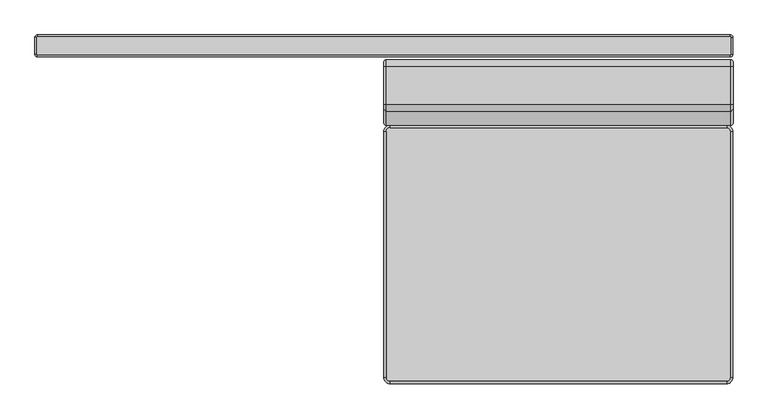
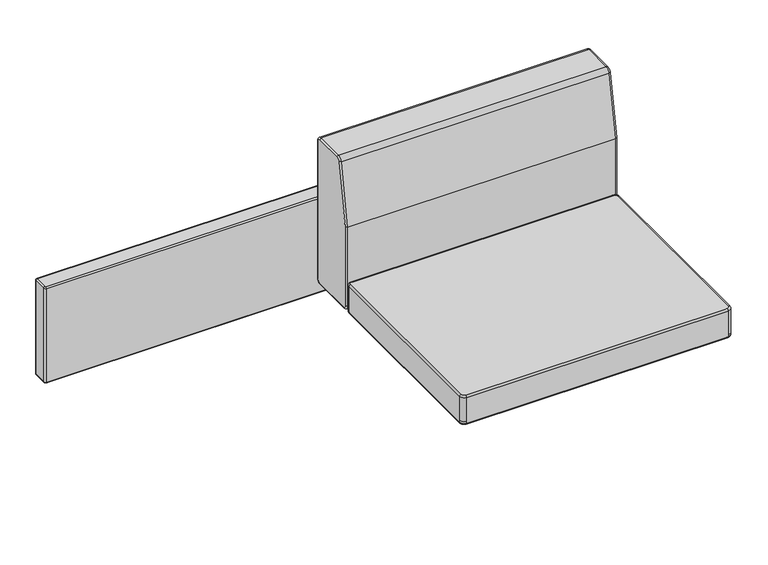
"""IFC4 building model written with IfcOpenShell, lengths in millimetres: furniture geometry."""

import ifcopenshell
import ifcopenshell.guid

model = None  # the IFC model being written
_history = None  # IfcOwnerHistory: only IFC2X3 demands one
_inside = {}  # id of a spatial element -> (the spatial element, [elements in it])
_under = {}  # id of a project, library or spatial element -> (it, [spatial elements below it])
_declared = {}  # id of a project -> (the project, [libraries it declares])
_typed = {}  # id of a type object -> (the type object, [elements of that type])
_made_of = {}  # id of a material, layer set ... -> (it, [elements and type objects made of it])


def new_model(schema):
    """Start an empty IFC model of exactly this schema.

    Asked for "IFC4X3", IfcOpenShell would pick the latest addendum, in which some entities
    have other attributes; the version numbers below select the first issue.
    IFC2X3 requires an IfcOwnerHistory on every rooted entity: one is made here for all.
    """
    global model, _history
    if schema == "IFC4X3":
        model = ifcopenshell.file(schema_version=(4, 3, 0, 0))
    else:
        model = ifcopenshell.file(schema=schema)
    _inside.clear()
    _under.clear()
    _declared.clear()
    _typed.clear()
    _made_of.clear()
    _history = None
    if model.schema == "IFC2X3":
        org = make("IfcOrganization", Name="unknown")
        user = make(
            "IfcPersonAndOrganization",
            ThePerson=make("IfcPerson", FamilyName="unknown"),
            TheOrganization=org,
        )
        app = make(
            "IfcApplication",
            ApplicationDeveloper=org,
            Version="unknown",
            ApplicationFullName="unknown",
            ApplicationIdentifier="unknown",
        )
        _history = make(
            "IfcOwnerHistory",
            OwningUser=user,
            OwningApplication=app,
            ChangeAction="ADDED",
            CreationDate=0,
        )
    return model


def make(cls, **values):
    """One entity of the class cls with the attributes given. An attribute that is None is left unset."""
    return model.create_entity(
        cls, **{name: value for name, value in values.items() if value is not None}
    )


def rooted(cls, **values):
    """An entity with a GlobalId (a new one), such as an element, a storey or a relation."""
    return make(cls, GlobalId=ifcopenshell.guid.new(), OwnerHistory=_history, **values)


def si_unit(unit_type, name, prefix=None):
    """IfcSIUnit, for example si_unit("LENGTHUNIT", "METRE", prefix="MILLI")."""
    return make("IfcSIUnit", UnitType=unit_type, Prefix=prefix, Name=name)


def assignment(units):
    """IfcUnitAssignment: the units of a project."""
    return None if units is None else make("IfcUnitAssignment", Units=units)


def point(xyz):
    """IfcCartesianPoint."""
    return None if xyz is None else make("IfcCartesianPoint", Coordinates=xyz)


def direction(xyz):
    """IfcDirection."""
    return None if xyz is None else make("IfcDirection", DirectionRatios=xyz)


def frame(location, z_axis=None, x_axis=None):
    """IfcAxis2Placement3D, a coordinate frame: its origin and axes. An axis left out is left unset."""
    return make(
        "IfcAxis2Placement3D",
        Location=point(location),
        Axis=direction(z_axis),
        RefDirection=direction(x_axis),
    )


def origin():
    """The frame at (0, 0, 0) with its axes left unset."""
    return frame((0.0, 0.0, 0.0))


def place(relative_to, where):
    """IfcLocalPlacement: puts the frame where relative to a parent placement (None: the world)."""
    return make(
        "IfcLocalPlacement", PlacementRelTo=relative_to, RelativePlacement=where
    )


def context(
    kind, dimensions, precision=None, world=None, true_north=None, identifier=None
):
    """IfcGeometricRepresentationContext, for example the 3D "Model" context."""
    return make(
        "IfcGeometricRepresentationContext",
        ContextIdentifier=identifier,
        ContextType=kind,
        CoordinateSpaceDimension=dimensions,
        Precision=precision,
        WorldCoordinateSystem=world,
        TrueNorth=true_north,
    )


def project(units=None, contexts=None):
    """IfcProject with its units and contexts."""
    return rooted(
        "IfcProject",
        Name="project",
        RepresentationContexts=contexts,
        UnitsInContext=assignment(units),
    )


def spatial(cls, under=None, at=None, **own):
    """A site, building, storey or space (cls), placed at a placement, below another one or the project."""
    s = rooted(cls, ObjectPlacement=at, **own)
    if under is not None:
        _under.setdefault(under.id(), (under, []))[1].append(s)
    return s


def circle_curve(where, radius):
    """IfcCircle in the frame where."""
    return make("IfcCircle", Position=where, Radius=radius)


def ellipse_curve(where, semi_axis1, semi_axis2):
    """IfcEllipse in the frame where."""
    return make(
        "IfcEllipse", Position=where, SemiAxis1=semi_axis1, SemiAxis2=semi_axis2
    )


def trimmed(basis, trim1, trim2, sense, master):
    """IfcTrimmedCurve: the piece of a basis curve between two trims."""
    return make(
        "IfcTrimmedCurve",
        BasisCurve=basis,
        Trim1=trim1,
        Trim2=trim2,
        SenseAgreement=sense,
        MasterRepresentation=master,
    )


def shape(context_of_items, identifier, shape_type, items):
    """IfcShapeRepresentation: the items that make up one representation, for example the "Body"."""
    return make(
        "IfcShapeRepresentation",
        ContextOfItems=context_of_items,
        RepresentationIdentifier=identifier,
        RepresentationType=shape_type,
        Items=items,
    )


def source(mapping_origin, context_of_items, identifier, shape_type, items):
    """IfcRepresentationMap: a shape defined once, which mapped items show again and again."""
    return make(
        "IfcRepresentationMap",
        MappingOrigin=mapping_origin,
        MappedRepresentation=shape(context_of_items, identifier, shape_type, items),
    )


def transform(
    local_origin,
    x_axis=None,
    y_axis=None,
    z_axis=None,
    scale=None,
    scale2=None,
    scale3=None,
    uniform=True,
):
    """IfcCartesianTransformationOperator3D, or its non-uniform kind. x_axis, y_axis, z_axis: its Axis1, 2, 3."""
    if uniform:
        return make(
            "IfcCartesianTransformationOperator3D",
            Axis1=direction(x_axis),
            Axis2=direction(y_axis),
            LocalOrigin=point(local_origin),
            Scale=scale,
            Axis3=direction(z_axis),
        )
    return make(
        "IfcCartesianTransformationOperator3DnonUniform",
        Axis1=direction(x_axis),
        Axis2=direction(y_axis),
        LocalOrigin=point(local_origin),
        Scale=scale,
        Axis3=direction(z_axis),
        Scale2=scale2,
        Scale3=scale3,
    )


def mapped(mapping_source, mapping_target):
    """IfcMappedItem: shows the shape of a source again, moved by a transform."""
    return make(
        "IfcMappedItem", MappingSource=mapping_source, MappingTarget=mapping_target
    )


def made_of(thing, what):
    """Note that an element or type object is made of a material, layer set ...; save() writes the relation."""
    if what is not None:
        _made_of.setdefault(what.id(), (what, []))[1].append(thing)
    return thing


def element(
    cls,
    number,
    at=None,
    inside=None,
    cuts=None,
    type_object=None,
    material=None,
    context=None,
    identifier="Body",
    shape_type=None,
    held_by="IfcProductDefinitionShape",
    body=None,
    shapes=None,
    **own,
):
    """One element of the class cls, such as IfcWall. Its Tag is "e" and its number.

    at: its placement. inside: the storey or other place that contains it. cuts: it is an
    opening in that element (IfcRelVoidsElement). A single representation is given by context,
    identifier, shape_type and body (its items); several are given by shapes. held_by: the class
    of the entity that holds the representations. save() writes the other relations.
    """
    e = rooted(cls, Tag="e%d" % number, ObjectPlacement=at, **own)
    if body is not None:
        shapes = [shape(context, identifier, shape_type, body)]
    if shapes is not None:
        e.Representation = make(held_by, Representations=shapes)
    if inside is not None:
        _inside.setdefault(inside.id(), (inside, []))[1].append(e)
    if cuts is not None:
        rooted(
            "IfcRelVoidsElement", RelatingBuildingElement=cuts, RelatedOpeningElement=e
        )
    if type_object is not None:
        _typed.setdefault(type_object.id(), (type_object, []))[1].append(e)
    return made_of(e, material)


def aggregate(whole, parts):
    """IfcRelAggregates: a whole, such as a stair, and the parts it consists of."""
    return rooted("IfcRelAggregates", RelatingObject=whole, RelatedObjects=parts)


def save(model, path):
    """Write the relations noted so far, then the file.

    IfcRelAggregates (storeys below a building ...), IfcRelContainedInSpatialStructure (elements
    in a storey), IfcRelDefinesByType, IfcRelAssociatesMaterial and IfcRelDeclares: one each for
    every whole, place, type object, material and project.
    """
    for whole, parts in _under.values():
        aggregate(whole, parts)
    for where, things in _inside.values():
        rooted(
            "IfcRelContainedInSpatialStructure",
            RelatedElements=things,
            RelatingStructure=where,
        )
    for kind, things in _typed.values():
        rooted("IfcRelDefinesByType", RelatedObjects=things, RelatingType=kind)
    for what, things in _made_of.values():
        rooted("IfcRelAssociatesMaterial", RelatedObjects=things, RelatingMaterial=what)
    for by, libraries in _declared.values():
        rooted("IfcRelDeclares", RelatingContext=by, RelatedDefinitions=libraries)
    model.write(path)


def plane_surface(at):
    """IfcPlane: the flat surface through the origin of the frame at, square to its z axis."""
    return make("IfcPlane", Position=at)


def cylinder_surface(at, radius):
    """IfcCylindricalSurface: all points at the distance radius from the z axis of the frame at."""
    return make("IfcCylindricalSurface", Position=at, Radius=radius)


def revolved_surface(curve, axis_point, axis_direction):
    """IfcSurfaceOfRevolution: the curve turned about the line through axis_point along axis_direction."""
    return make(
        "IfcSurfaceOfRevolution",
        SweptCurve=make("IfcArbitraryOpenProfileDef", ProfileType="CURVE", Curve=curve),
        AxisPosition=make("IfcAxis1Placement", Location=point(axis_point), Axis=direction(axis_direction)),
    )


def advanced_brep(points, edges, surfaces, faces):
    """IfcAdvancedBrep: a solid bounded by faces that lie on surfaces and meet in shared edges.

    An edge is (start, end): straight between two places in points (the first is 0);
    or (start, end, curve); or (start, end, curve, False) where it runs against its curve.
    A face is (place in surfaces, loops), or (place, loops, False) where it looks against
    its surface's normal. A loop lists edges by number (the first is 1), with a minus sign
    where the edge is run from its end to its start. The first loop is the outer one.
    """
    corners = [point(p) for p in points]
    vertices = [make("IfcVertexPoint", VertexGeometry=c) for c in corners]
    made = []
    for start, end, *more in edges:
        made.append(
            make(
                "IfcEdgeCurve",
                EdgeStart=vertices[start],
                EdgeEnd=vertices[end],
                EdgeGeometry=more[0] if more else make("IfcPolyline", Points=[corners[start], corners[end]]),
                SameSense=more[1] if len(more) > 1 else True,
            )
        )
    hull = []
    for where, loops, *sense in faces:
        bounds = []
        for j, loop in enumerate(loops):
            ring = [make("IfcOrientedEdge", EdgeElement=made[abs(k) - 1], Orientation=k > 0) for k in loop]
            bounds.append(
                make(
                    "IfcFaceOuterBound" if j == 0 else "IfcFaceBound",
                    Bound=make("IfcEdgeLoop", EdgeList=ring),
                    Orientation=True,
                )
            )
        hull.append(make("IfcAdvancedFace", Bounds=bounds, FaceSurface=surfaces[where], SameSense=sense[0] if sense else True))
    return make("IfcAdvancedBrep", Outer=make("IfcClosedShell", CfsFaces=hull))


def furniture_9640fe02(model_context):
    return source(origin(), model_context, "Body", "AdvancedBrep", [
        advanced_brep(
        [(707.2082858, 350.5314654, 584.1999879), (706.1135784, 351.6261728, 584.1999879), (-706.1135784, 351.6261728, 584.1999879), (-707.2082858, 350.5314654, 584.1999879), (-707.2082858, 316.23, 584.1999879), (-706.1135784, 315.1352926, 584.1999879), (706.1135784, 315.1352926, 584.1999879), (707.2082858, 316.23, 584.1999879), (706.1135784, 351.5474654, 317.4999879), (707.1295784, 350.5314654, 317.4999879), (707.1295784, 316.23, 317.4999879), (706.1135784, 315.214, 317.4999879), (-706.1135784, 315.214, 317.4999879), (-707.1295784, 316.23, 317.4999879), (-707.1295784, 350.5314654, 317.4999879), (-706.1135784, 351.5474654, 317.4999879), (711.1935784, 350.5314654, 321.5633339), (706.1135784, 355.6114654, 321.5633339), (706.1135784, 355.6114654, 580.2146953), (711.1935784, 350.5314654, 580.2146953), (711.1935784, 316.23, 580.2146953), (711.1935784, 316.23, 321.5633339), (706.1135784, 311.15, 580.2146953), (706.1135784, 311.15, 321.5633339), (-706.1135784, 311.15, 580.2146953), (-706.1135784, 311.15, 321.5633339), (-711.1935784, 316.23, 580.2146953), (-711.1935784, 316.23, 321.5633339), (-711.1935784, 350.5314654, 580.2146953), (-711.1935784, 350.5314654, 321.5633339), (-706.1135784, 355.6114654, 580.2146953), (-706.1135784, 355.6114654, 321.5633339)],
        [
            (0, 1, circle_curve(frame((706.1135784, 350.5314654, 584.1999879), z_axis=(0.0, 0.0, 1.0), x_axis=(0.0, 1.0, 0.0)), 1.0947074)),
            (1, 2),
            (2, 3, circle_curve(frame((-706.1135784, 350.5314654, 584.1999879), z_axis=(0.0, 0.0, 1.0), x_axis=(-1.0, 0.0, 0.0)), 1.0947074)),
            (3, 4),
            (4, 5, circle_curve(frame((-706.1135784, 316.23, 584.1999879), z_axis=(0.0, 0.0, 1.0), x_axis=(0.0, -1.0, 0.0)), 1.0947074)),
            (5, 6),
            (6, 7, circle_curve(frame((706.1135784, 316.23, 584.1999879), z_axis=(0.0, 0.0, 1.0), x_axis=(1.0, 0.0, 0.0)), 1.0947074)),
            (7, 0),
            (8, 9, circle_curve(frame((706.1135784, 350.5314654, 317.4999879), z_axis=(0.0, 0.0, -1.0), x_axis=(0.0, 1.0, 0.0)), 1.016)),
            (9, 10),
            (10, 11, circle_curve(frame((706.1135784, 316.23, 317.4999879), z_axis=(0.0, 0.0, -1.0), x_axis=(1.0, 0.0, 0.0)), 1.016)),
            (11, 12),
            (12, 13, circle_curve(frame((-706.1135784, 316.23, 317.4999879), z_axis=(0.0, 0.0, -1.0), x_axis=(0.0, -1.0, 0.0)), 1.016)),
            (13, 14),
            (14, 15, circle_curve(frame((-706.1135784, 350.5314654, 317.4999879), z_axis=(0.0, 0.0, -1.0), x_axis=(-1.0, 0.0, 0.0)), 1.016)),
            (15, 8),
            (16, 17, circle_curve(frame((706.1135784, 350.5314654, 321.5633339), z_axis=(0.0, 0.0, 1.0), x_axis=(0.0, 1.0, 0.0)), 5.08)),
            (17, 18),
            (18, 19, circle_curve(frame((706.1135784, 350.5314654, 580.2146953), z_axis=(0.0, 0.0, -1.0), x_axis=(0.0, 1.0, 0.0)), 5.08)),
            (19, 16),
            (16, 9, circle_curve(frame((707.1295784, 350.5314654, 321.5633339), z_axis=(0.0, 1.0, 0.0), x_axis=(1.0, 0.0, 0.0)), 4.064)),
            (8, 17, circle_curve(frame((706.1135784, 351.5474654, 321.5633339), z_axis=(1.0, 0.0, 0.0), x_axis=(0.0, 1.0, 0.0)), 4.064)),
            (18, 1, circle_curve(frame((706.1135784, 351.6261728, 580.2146953), z_axis=(1.0, 0.0, 0.0), x_axis=(0.0, 1.0, 0.0)), 3.9852926)),
            (0, 19, circle_curve(frame((707.2082858, 350.5314654, 580.2146953), z_axis=(0.0, 1.0, 0.0), x_axis=(1.0, 0.0, 0.0)), 3.9852926)),
            (19, 20),
            (20, 21),
            (21, 16),
            (21, 10, circle_curve(frame((707.1295784, 316.23, 321.5633339), z_axis=(0.0, 1.0, 0.0), x_axis=(1.0, 0.0, 0.0)), 4.064)),
            (7, 20, circle_curve(frame((707.2082858, 316.23, 580.2146953), z_axis=(0.0, 1.0, 0.0), x_axis=(1.0, 0.0, 0.0)), 3.9852926)),
            (20, 22, circle_curve(frame((706.1135784, 316.23, 580.2146953), z_axis=(0.0, 0.0, -1.0), x_axis=(1.0, 0.0, 0.0)), 5.08)),
            (22, 23),
            (23, 21, circle_curve(frame((706.1135784, 316.23, 321.5633339), z_axis=(0.0, 0.0, 1.0), x_axis=(1.0, 0.0, 0.0)), 5.08)),
            (23, 11, circle_curve(frame((706.1135784, 315.214, 321.5633339), z_axis=(1.0, 0.0, 0.0), x_axis=(0.0, -1.0, 0.0)), 4.064)),
            (6, 22, circle_curve(frame((706.1135784, 315.1352926, 580.2146953), z_axis=(1.0, 0.0, 0.0), x_axis=(0.0, -1.0, 0.0)), 3.9852926)),
            (22, 24),
            (24, 25),
            (25, 23),
            (25, 12, circle_curve(frame((-706.1135784, 315.214, 321.5633339), z_axis=(1.0, 0.0, 0.0), x_axis=(0.0, -1.0, 0.0)), 4.064)),
            (5, 24, circle_curve(frame((-706.1135784, 315.1352926, 580.2146953), z_axis=(1.0, 0.0, 0.0), x_axis=(0.0, -1.0, 0.0)), 3.9852926)),
            (24, 26, circle_curve(frame((-706.1135784, 316.23, 580.2146953), z_axis=(0.0, 0.0, -1.0), x_axis=(0.0, -1.0, 0.0)), 5.08)),
            (26, 27),
            (27, 25, circle_curve(frame((-706.1135784, 316.23, 321.5633339), z_axis=(0.0, 0.0, 1.0), x_axis=(0.0, -1.0, 0.0)), 5.08)),
            (27, 13, circle_curve(frame((-707.1295784, 316.23, 321.5633339), z_axis=(0.0, -1.0, 0.0), x_axis=(-1.0, 0.0, 0.0)), 4.064)),
            (4, 26, circle_curve(frame((-707.2082858, 316.23, 580.2146953), z_axis=(0.0, -1.0, 0.0), x_axis=(-1.0, 0.0, 0.0)), 3.9852926)),
            (26, 28),
            (28, 29),
            (29, 27),
            (29, 14, circle_curve(frame((-707.1295784, 350.5314654, 321.5633339), z_axis=(0.0, -1.0, 0.0), x_axis=(-1.0, 0.0, 0.0)), 4.064)),
            (3, 28, circle_curve(frame((-707.2082858, 350.5314654, 580.2146953), z_axis=(0.0, -1.0, 0.0), x_axis=(-1.0, 0.0, 0.0)), 3.9852926)),
            (28, 30, circle_curve(frame((-706.1135784, 350.5314654, 580.2146953), z_axis=(0.0, 0.0, -1.0), x_axis=(-1.0, 0.0, 0.0)), 5.08)),
            (30, 31),
            (31, 29, circle_curve(frame((-706.1135784, 350.5314654, 321.5633339), z_axis=(0.0, 0.0, 1.0), x_axis=(-1.0, 0.0, 0.0)), 5.08)),
            (31, 15, circle_curve(frame((-706.1135784, 351.5474654, 321.5633339), z_axis=(-1.0, 0.0, 0.0), x_axis=(0.0, 1.0, 0.0)), 4.064)),
            (2, 30, circle_curve(frame((-706.1135784, 351.6261728, 580.2146953), z_axis=(-1.0, 0.0, 0.0), x_axis=(0.0, 1.0, 0.0)), 3.9852926)),
            (17, 31),
            (30, 18),
        ],
        [
            plane_surface(frame((-706.1135784, 316.2087348, 584.1999879), z_axis=(0.0, 0.0, 1.0), x_axis=(1.0, 0.0, 0.0))),
            plane_surface(frame((-706.1135784, 316.2087348, 317.4999879), z_axis=(0.0, 0.0, -1.0), x_axis=(-1.0, 0.0, 0.0))),
            cylinder_surface(frame((706.1135784, 350.5314654, 0.0), z_axis=(0.0, 0.0, -1.0), x_axis=(0.0, 1.0, 0.0)), 5.08),
            revolved_surface(trimmed(ellipse_curve(frame((706.1135784, 351.5474654, 321.5633339), z_axis=(-1.0, 0.0, 0.0), x_axis=(0.0, 1.0, 0.0)), 4.064, 4.064), [point((706.1135784, 355.6114654, 321.5633339))], [point((706.1135784, 351.5474654, 317.4993339))], True, "CARTESIAN"), (706.1135784, 350.5314654, 0.0), (0.0, 0.0, -1.0)),
            revolved_surface(trimmed(ellipse_curve(frame((706.1135784, 351.6261728, 580.2146953), z_axis=(-1.0, 0.0, 0.0), x_axis=(0.0, 1.0, 0.0)), 3.9852926, 3.9852926), [point((706.1135784, 351.6261728, 584.1999879))], [point((706.1135784, 355.6114654, 580.2146953))], True, "CARTESIAN"), (706.1135784, 350.5314654, 0.0), (0.0, 0.0, -1.0)),
            plane_surface(frame((711.1935784, 350.5314654, 580.2146953), z_axis=(1.0, 0.0, 0.0), x_axis=(0.0, -1.0, 0.0))),
            cylinder_surface(frame((707.1295784, 350.5314654, 321.5633339), z_axis=(0.0, 1.0, 0.0), x_axis=(1.0, 0.0, 0.0)), 4.064),
            cylinder_surface(frame((707.2082858, 350.5314654, 580.2146953), z_axis=(0.0, 1.0, 0.0), x_axis=(1.0, 0.0, 0.0)), 3.9852926),
            cylinder_surface(frame((706.1135784, 316.23, 0.0), z_axis=(0.0, 0.0, -1.0), x_axis=(1.0, 0.0, 0.0)), 5.08),
            revolved_surface(trimmed(ellipse_curve(frame((707.1295784, 316.23, 321.5633339), z_axis=(0.0, 1.0, 0.0), x_axis=(1.0, 0.0, 0.0)), 4.064, 4.064), [point((711.1935784, 316.23, 321.5633339))], [point((707.1295784, 316.23, 317.4993339))], True, "CARTESIAN"), (706.1135784, 316.23, 0.0), (0.0, 0.0, -1.0)),
            revolved_surface(trimmed(ellipse_curve(frame((707.2082858, 316.23, 580.2146953), z_axis=(0.0, 1.0, 0.0), x_axis=(1.0, 0.0, 0.0)), 3.9852926, 3.9852926), [point((707.2082858, 316.23, 584.1999879))], [point((711.1935784, 316.23, 580.2146953))], True, "CARTESIAN"), (706.1135784, 316.23, 0.0), (0.0, 0.0, -1.0)),
            plane_surface(frame((706.1135784, 311.15, 580.2146953), z_axis=(0.0, -1.0, 0.0), x_axis=(-1.0, 0.0, 0.0))),
            cylinder_surface(frame((706.1135784, 315.214, 321.5633339), z_axis=(1.0, 0.0, 0.0), x_axis=(0.0, -1.0, 0.0)), 4.064),
            cylinder_surface(frame((706.1135784, 315.1352926, 580.2146953), z_axis=(1.0, 0.0, 0.0), x_axis=(0.0, -1.0, 0.0)), 3.9852926),
            cylinder_surface(frame((-706.1135784, 316.23, 0.0), z_axis=(0.0, 0.0, -1.0), x_axis=(0.0, -1.0, 0.0)), 5.08),
            revolved_surface(trimmed(ellipse_curve(frame((-706.1135784, 315.214, 321.5633339), z_axis=(1.0, 0.0, 0.0), x_axis=(0.0, -1.0, 0.0)), 4.064, 4.064), [point((-706.1135784, 311.15, 321.5633339))], [point((-706.1135784, 315.214, 317.4993339))], True, "CARTESIAN"), (-706.1135784, 316.23, 0.0), (0.0, 0.0, -1.0)),
            revolved_surface(trimmed(ellipse_curve(frame((-706.1135784, 315.1352926, 580.2146953), z_axis=(1.0, 0.0, 0.0), x_axis=(0.0, -1.0, 0.0)), 3.9852926, 3.9852926), [point((-706.1135784, 315.1352926, 584.1999879))], [point((-706.1135784, 311.15, 580.2146953))], True, "CARTESIAN"), (-706.1135784, 316.23, 0.0), (0.0, 0.0, -1.0)),
            plane_surface(frame((-711.1935784, 316.23, 580.2146953), z_axis=(-1.0, 0.0, 0.0), x_axis=(0.0, 1.0, 0.0))),
            cylinder_surface(frame((-707.1295784, 316.23, 321.5633339), z_axis=(0.0, -1.0, 0.0), x_axis=(-1.0, 0.0, 0.0)), 4.064),
            cylinder_surface(frame((-707.2082858, 316.23, 580.2146953), z_axis=(0.0, -1.0, 0.0), x_axis=(-1.0, 0.0, 0.0)), 3.9852926),
            cylinder_surface(frame((-706.1135784, 350.5314654, 0.0), z_axis=(0.0, 0.0, -1.0), x_axis=(-1.0, 0.0, 0.0)), 5.08),
            revolved_surface(trimmed(ellipse_curve(frame((-707.1295784, 350.5314654, 321.5633339), z_axis=(0.0, -1.0, 0.0), x_axis=(-1.0, 0.0, 0.0)), 4.064, 4.064), [point((-711.1935784, 350.5314654, 321.5633339))], [point((-707.1295784, 350.5314654, 317.4993339))], True, "CARTESIAN"), (-706.1135784, 350.5314654, 0.0), (0.0, 0.0, -1.0)),
            revolved_surface(trimmed(ellipse_curve(frame((-707.2082858, 350.5314654, 580.2146953), z_axis=(0.0, -1.0, 0.0), x_axis=(-1.0, 0.0, 0.0)), 3.9852926, 3.9852926), [point((-707.2082858, 350.5314654, 584.1999879))], [point((-711.1935784, 350.5314654, 580.2146953))], True, "CARTESIAN"), (-706.1135784, 350.5314654, 0.0), (0.0, 0.0, -1.0)),
            plane_surface(frame((-706.1135784, 355.6114654, 580.2146953), z_axis=(0.0, 1.0, 0.0), x_axis=(1.0, 0.0, 0.0))),
            cylinder_surface(frame((-706.1135784, 351.5474654, 321.5633339), z_axis=(-1.0, 0.0, 0.0), x_axis=(0.0, 1.0, 0.0)), 4.064),
            cylinder_surface(frame((-706.1135784, 351.6261728, 580.2146953), z_axis=(-1.0, 0.0, 0.0), x_axis=(0.0, 1.0, 0.0)), 3.9852926),
        ],
        [
            (0, [[1, 2, 3, 4, 5, 6, 7, 8]]),
            (1, [[9, 10, 11, 12, 13, 14, 15, 16]]),
            (2, [[17, 18, 19, 20]]),
            (3, [[-17, 21, -9, 22]]),
            (4, [[-19, 23, -1, 24]]),
            (5, [[-20, 25, 26, 27]]),
            (6, [[-21, -27, 28, -10]]),
            (7, [[-24, -8, 29, -25]]),
            (8, [[-26, 30, 31, 32]]),
            (9, [[-28, -32, 33, -11]]),
            (10, [[-29, -7, 34, -30]]),
            (11, [[-31, 35, 36, 37]]),
            (12, [[-33, -37, 38, -12]]),
            (13, [[-34, -6, 39, -35]]),
            (14, [[-36, 40, 41, 42]]),
            (15, [[-38, -42, 43, -13]]),
            (16, [[-39, -5, 44, -40]]),
            (17, [[-41, 45, 46, 47]]),
            (18, [[-43, -47, 48, -14]]),
            (19, [[-44, -4, 49, -45]]),
            (20, [[-46, 50, 51, 52]]),
            (21, [[-48, -52, 53, -15]]),
            (22, [[-49, -3, 54, -50]]),
            (23, [[-18, 55, -51, 56]]),
            (24, [[-22, -16, -53, -55]]),
            (25, [[-23, -56, -54, -2]]),
        ],
    ),
        advanced_brep(
        [(707.1959976, 304.800436, 749.1899478), (707.1959976, 292.100436, 761.8899478), (711.8064569, 292.100436, 757.2794885), (711.8064569, 300.1899767, 749.1899478), (4.572, 304.800436, 749.1899478), (4.572, 292.100436, 761.8899478), (711.8064569, 300.1899767, 368.2390955), (707.1959976, 304.800436, 368.2390955), (4.572, 304.800436, 368.2390955), (711.8064569, 292.100436, 360.1495548), (707.1959976, 292.100436, 355.5390955), (4.572, 292.100436, 355.5390955), (711.8064569, 184.150436, 360.1495548), (707.1959976, 184.150436, 355.5390955), (4.572, 184.150436, 355.5390955), (711.8064569, 176.0608953, 368.2390955), (707.1959976, 171.450436, 368.2390955), (4.572, 171.450436, 368.2390955), (177.499966, 176.8088949, 357.8760952), (178.1023595, 176.8088949, 357.8760952), (177.8011627, 178.0348284, 357.1085364), (355.299966, 176.8088949, 357.8760952), (355.9023595, 176.8088949, 357.8760952), (355.6011627, 178.0348284, 357.1085364), (533.099966, 176.8088949, 357.8760952), (533.7023595, 176.8088949, 357.8760952), (533.4011627, 178.0348284, 357.1085364), (711.8064569, 176.0608953, 586.9446216), (707.1959976, 171.450436, 587.3479845), (4.572, 171.450436, 587.3479845), (711.8064569, 204.9168164, 750.5946818), (707.1959976, 200.3764003, 751.3952797), (4.572, 200.3764003, 751.3952797), (711.8064569, 212.8834587, 757.2794885), (707.1959976, 212.8834587, 761.8899478), (4.572, 212.8834587, 761.8899478), (0.0, 176.022436, 586.9479863), (0.0, 204.8789413, 750.6013602), (0.0, 212.8834587, 757.3179478), (0.0, 292.100436, 757.3179478), (0.0, 300.228436, 749.1899478), (0.0, 300.228436, 368.2390955), (0.0, 292.100436, 360.1110955), (0.0, 184.150436, 360.1110955), (0.0, 176.022436, 368.2390955), (177.8011627, 178.0348284, 357.8760952), (355.6011627, 178.0348284, 357.8760952), (533.4011627, 178.0348284, 357.8760952)],
        [
            (0, 1, circle_curve(frame((707.1959976, 292.100436, 749.1899478), z_axis=(1.0, 0.0, 0.0), x_axis=(0.0, 0.0, 1.0)), 12.7)),
            (1, 2, circle_curve(frame((707.1959976, 292.100436, 757.2794885), z_axis=(0.0, 1.0, 0.0), x_axis=(0.0, 0.0, -1.0)), 4.6104593)),
            (2, 3, circle_curve(frame((711.8064569, 292.100436, 749.1899478), z_axis=(-1.0, 0.0, 0.0), x_axis=(0.0, 0.0, 1.0)), 8.0895407)),
            (3, 0, circle_curve(frame((707.1959976, 300.1899767, 749.1899478), z_axis=(0.0, 0.0, 1.0), x_axis=(0.0, -1.0, 0.0)), 4.6104593)),
            (0, 4),
            (4, 5, circle_curve(frame((4.572, 292.100436, 749.1899478), z_axis=(1.0, 0.0, 0.0), x_axis=(0.0, 0.0, 1.0)), 12.7)),
            (5, 1),
            (3, 6),
            (6, 7, circle_curve(frame((707.1959976, 300.1899767, 368.2390955), z_axis=(0.0, 0.0, 1.0), x_axis=(0.0, -1.0, 0.0)), 4.6104593)),
            (7, 0),
            (7, 8),
            (8, 4),
            (6, 9, circle_curve(frame((711.8064569, 292.100436, 368.2390955), z_axis=(-1.0, 0.0, 0.0), x_axis=(0.0, 1.0, 0.0)), 8.0895407)),
            (9, 10, circle_curve(frame((707.1959976, 292.100436, 360.1495548), z_axis=(0.0, 1.0, 0.0), x_axis=(0.0, 0.0, 1.0)), 4.6104593)),
            (10, 7, circle_curve(frame((707.1959976, 292.100436, 368.2390955), z_axis=(1.0, 0.0, 0.0), x_axis=(0.0, 1.0, 0.0)), 12.7)),
            (10, 11),
            (11, 8, circle_curve(frame((4.572, 292.100436, 368.2390955), z_axis=(1.0, 0.0, 0.0), x_axis=(0.0, 1.0, 0.0)), 12.7)),
            (9, 12),
            (12, 13, circle_curve(frame((707.1959976, 184.150436, 360.1495548), z_axis=(0.0, 1.0, 0.0), x_axis=(0.0, 0.0, 1.0)), 4.6104593)),
            (13, 10),
            (13, 14),
            (14, 11),
            (12, 15, circle_curve(frame((711.8064569, 184.150436, 368.2390955), z_axis=(-1.0, 0.0, 0.0), x_axis=(0.0, 0.0, -1.0)), 8.0895407)),
            (15, 16, circle_curve(frame((707.1959976, 176.0608953, 368.2390955), z_axis=(0.0, 0.0, -1.0), x_axis=(0.0, 1.0, 0.0)), 4.6104593)),
            (16, 13, circle_curve(frame((707.1959976, 184.150436, 368.2390955), z_axis=(1.0, 0.0, 0.0), x_axis=(0.0, 0.0, -1.0)), 12.7)),
            (16, 17),
            (17, 14, circle_curve(frame((4.572, 184.150436, 368.2390955), z_axis=(1.0, 0.0, 0.0), x_axis=(0.0, 0.0, -1.0)), 12.7)),
            (18, 19),
            (19, 20, ellipse_curve(frame((176.2986333, 184.150436, 368.2390955), z_axis=(0.9711198537066588, 0.23859218289113715, 0.0), x_axis=(-0.2385921828911362, 0.9711198537066589, 0.0)), 13.0776855, 12.7)),
            (20, 18, ellipse_curve(frame((179.3036922, 184.150436, 368.2390955), z_axis=(-0.971119853706666, 0.2385921828911077, 0.0), x_axis=(-0.23859218289110734, -0.971119853706666, 0.0)), 13.0776855, 12.7)),
            (21, 22),
            (22, 23, ellipse_curve(frame((354.0986333, 184.150436, 368.2390955), z_axis=(0.971119853706677, 0.2385921828910632, 0.0), x_axis=(-0.23859218289106215, 0.9711198537066771, 0.0)), 13.0776855, 12.7)),
            (23, 21, ellipse_curve(frame((357.1036922, 184.150436, 368.2390955), z_axis=(-0.9711198537067129, 0.23859218289091608, 0.0), x_axis=(-0.23859218289091688, -0.9711198537067127, 0.0)), 13.0776855, 12.7)),
            (24, 25),
            (25, 26, ellipse_curve(frame((531.8986333, 184.150436, 368.2390955), z_axis=(0.9711198537066685, 0.23859218289109715, 0.0), x_axis=(-0.23859218289109663, 0.9711198537066686, 0.0)), 13.0776855, 12.7)),
            (26, 24, ellipse_curve(frame((534.9036922, 184.150436, 368.2390955), z_axis=(-0.9711198537066816, 0.23859218289104386, 0.0), x_axis=(-0.23859218289104364, -0.9711198537066815, 0.0)), 13.0776855, 12.7)),
            (15, 27),
            (27, 28, ellipse_curve(frame((707.1959976, 176.0608953, 586.9446216), z_axis=(0.0, -0.0871557427476564, -0.9961946980917458), x_axis=(0.0, 0.9961946980917458, -0.08715574274765407)), 4.6280705, 4.6104593)),
            (28, 16),
            (28, 29),
            (29, 17),
            (27, 30),
            (30, 31, circle_curve(frame((707.1959976, 204.9168164, 750.5946818), z_axis=(0.0, -0.1736481776669285, -0.9848077530122085), x_axis=(0.0, 0.9848077530122085, -0.1736481776669285)), 4.6104593)),
            (31, 28),
            (31, 32),
            (32, 29),
            (30, 33, circle_curve(frame((711.8064569, 212.8834587, 749.1899478), z_axis=(-1.0, 0.0, 0.0), x_axis=(0.0, -0.9848077530122082, 0.17364817766692947)), 8.0895407)),
            (33, 34, circle_curve(frame((707.1959976, 212.8834587, 757.2794885), z_axis=(0.0, -1.0, 0.0), x_axis=(0.0, 0.0, -1.0)), 4.6104593)),
            (34, 31, circle_curve(frame((707.1959976, 212.8834587, 749.1899478), z_axis=(1.0, 0.0, 0.0), x_axis=(0.0, -0.9848077530122082, 0.17364817766692947)), 12.7)),
            (34, 35),
            (35, 32, circle_curve(frame((4.572, 212.8834587, 749.1899478), z_axis=(1.0, 0.0, 0.0), x_axis=(0.0, -0.9848077530122082, 0.17364817766692947)), 12.7)),
            (2, 33),
            (1, 34),
            (5, 35),
            (36, 37),
            (37, 38, circle_curve(frame((0.0, 212.8834587, 749.1899478), z_axis=(-1.0, 0.0, 0.0), x_axis=(0.0, -0.9848077530122082, 0.17364817766692947)), 8.128)),
            (38, 39),
            (39, 40, circle_curve(frame((0.0, 292.100436, 749.1899478), z_axis=(-1.0, 0.0, 0.0), x_axis=(0.0, 0.0, 1.0)), 8.128)),
            (40, 41),
            (41, 42, circle_curve(frame((0.0, 292.100436, 368.2390955), z_axis=(-1.0, 0.0, 0.0), x_axis=(0.0, 1.0, 0.0)), 8.128)),
            (42, 43),
            (43, 44, circle_curve(frame((0.0, 184.150436, 368.2390955), z_axis=(-1.0, 0.0, 0.0), x_axis=(0.0, 0.0, -1.0)), 8.128)),
            (44, 36),
            (4, 40, circle_curve(frame((4.572, 300.228436, 749.1899478), z_axis=(0.0, 0.0, 1.0), x_axis=(0.0, -1.0, 0.0)), 4.572)),
            (39, 5, circle_curve(frame((4.572, 292.100436, 757.3179478), z_axis=(0.0, 1.0, 0.0), x_axis=(0.0, 0.0, -1.0)), 4.572)),
            (8, 41, circle_curve(frame((4.572, 300.228436, 368.2390955), z_axis=(0.0, 0.0, 1.0), x_axis=(0.0, -1.0, 0.0)), 4.572)),
            (11, 42, circle_curve(frame((4.572, 292.100436, 360.1110955), z_axis=(0.0, 1.0, 0.0), x_axis=(0.0, 0.0, 1.0)), 4.572)),
            (14, 43, circle_curve(frame((4.572, 184.150436, 360.1110955), z_axis=(0.0, 1.0, 0.0), x_axis=(0.0, 0.0, 1.0)), 4.572)),
            (17, 44, circle_curve(frame((4.572, 176.022436, 368.2390955), z_axis=(0.0, 0.0, -1.0), x_axis=(0.0, 1.0, 0.0)), 4.572)),
            (29, 36, ellipse_curve(frame((4.572, 176.022436, 586.9479863), z_axis=(0.0, -0.0871557427476564, -0.9961946980917458), x_axis=(0.0, 0.9961946980917458, -0.08715574274765407)), 4.5894643, 4.572)),
            (32, 37, circle_curve(frame((4.572, 204.8789413, 750.6013602), z_axis=(0.0, -0.1736481776669285, -0.9848077530122085), x_axis=(0.0, 0.9848077530122085, -0.1736481776669285)), 4.572)),
            (35, 38, circle_curve(frame((4.572, 212.8834587, 757.3179478), z_axis=(0.0, -1.0, 0.0), x_axis=(0.0, 0.0, -1.0)), 4.572)),
            (18, 45),
            (45, 19),
            (21, 46),
            (46, 22),
            (24, 47),
            (47, 25),
            (20, 45),
            (23, 46),
            (26, 47),
        ],
        [
            revolved_surface(trimmed(ellipse_curve(frame((707.1959976, 292.100436, 757.2794885), z_axis=(0.0, -1.0, 0.0), x_axis=(0.0, 0.0, -1.0)), 4.6104593, 4.6104593), [point((711.8064569, 292.100436, 757.2794885))], [point((707.1959976, 292.100436, 761.8899478))], True, "CARTESIAN"), (0.0, 292.100436, 749.1899478), (-1.0, 0.0, 0.0)),
            cylinder_surface(frame((0.0, 292.100436, 749.1899478), z_axis=(-1.0, 0.0, 0.0), x_axis=(0.0, 0.0, 1.0)), 12.7),
            cylinder_surface(frame((707.1959976, 300.1899767, 749.1899478), z_axis=(0.0, 0.0, 1.0), x_axis=(0.0, -1.0, 0.0)), 4.6104593),
            plane_surface(frame((707.1959976, 304.800436, 749.1899478), z_axis=(0.0, 1.0, 0.0), x_axis=(0.0, 0.0, -1.0))),
            revolved_surface(trimmed(ellipse_curve(frame((707.1959976, 300.1899767, 368.2390955), z_axis=(0.0, 0.0, 1.0), x_axis=(0.0, -1.0, 0.0)), 4.6104593, 4.6104593), [point((711.8064569, 300.1899767, 368.2390955))], [point((707.1959976, 304.800436, 368.2390955))], True, "CARTESIAN"), (0.0, 292.100436, 368.2390955), (-1.0, 0.0, 0.0)),
            cylinder_surface(frame((0.0, 292.100436, 368.2390955), z_axis=(-1.0, 0.0, 0.0), x_axis=(0.0, 1.0, 0.0)), 12.7),
            cylinder_surface(frame((707.1959976, 292.100436, 360.1495548), z_axis=(0.0, 1.0, 0.0), x_axis=(0.0, 0.0, 1.0)), 4.6104593),
            plane_surface(frame((707.1959976, 292.100436, 355.5390955), z_axis=(0.0, 0.0, -1.0), x_axis=(0.0, -1.0, 0.0))),
            revolved_surface(trimmed(ellipse_curve(frame((707.1959976, 184.150436, 360.1495548), z_axis=(0.0, 1.0, 0.0), x_axis=(0.0, 0.0, 1.0)), 4.6104593, 4.6104593), [point((711.8064569, 184.150436, 360.1495548))], [point((707.1959976, 184.150436, 355.5390955))], True, "CARTESIAN"), (0.0, 184.150436, 368.2390955), (-1.0, 0.0, 0.0)),
            cylinder_surface(frame((0.0, 184.150436, 368.2390955), z_axis=(-1.0, 0.0, 0.0), x_axis=(0.0, 0.0, -1.0)), 12.7),
            cylinder_surface(frame((707.1959976, 176.0608953, 368.2390955), z_axis=(0.0, 0.0, -1.0), x_axis=(0.0, 1.0, 0.0)), 4.6104593),
            plane_surface(frame((707.1959976, 171.450436, 368.2390955), z_axis=(0.0, -1.0, 0.0), x_axis=(0.0, 0.0, 1.0))),
            cylinder_surface(frame((707.1959976, 175.9908521, 586.5473866), z_axis=(0.0, -0.1736481776669285, -0.9848077530122085), x_axis=(0.0, 0.9848077530122085, -0.1736481776669285)), 4.6104593),
            plane_surface(frame((707.1959976, 171.450436, 587.3479845), z_axis=(0.0, -0.9848077530122084, 0.17364817766692872), x_axis=(0.0, 0.17364817766692872, 0.9848077530122084))),
            revolved_surface(trimmed(ellipse_curve(frame((707.1959976, 204.9168164, 750.5946818), z_axis=(0.0, -0.17364817766692928, -0.9848077530122082), x_axis=(0.0, 0.9848077530122082, -0.17364817766692928)), 4.6104593, 4.6104593), [point((711.8064569, 204.9168164, 750.5946818))], [point((707.1959976, 200.3764003, 751.3952797))], True, "CARTESIAN"), (0.0, 212.8834587, 749.1899478), (-1.0, 0.0, 0.0)),
            cylinder_surface(frame((0.0, 212.8834587, 749.1899478), z_axis=(-1.0, 0.0, 0.0), x_axis=(0.0, -0.9848077530122082, 0.17364817766692947)), 12.7),
            plane_surface(frame((711.8064569, 212.8834587, 754.6705296), z_axis=(1.0, 0.0, 0.0), x_axis=(0.0, 1.0, 0.0))),
            cylinder_surface(frame((707.1959976, 212.8834587, 757.2794885), z_axis=(0.0, -1.0, 0.0), x_axis=(0.0, 0.0, -1.0)), 4.6104593),
            plane_surface(frame((707.1959976, 212.8834587, 761.8899478), z_axis=(0.0, 0.0, 1.0), x_axis=(0.0, 1.0, 0.0))),
            plane_surface(frame((0.0, 212.8834587, 757.3179478), z_axis=(-1.0, 0.0, 0.0), x_axis=(0.0, 1.0, 0.0))),
            revolved_surface(trimmed(ellipse_curve(frame((4.572, 292.100436, 757.3179478), z_axis=(0.0, -1.0, 0.0), x_axis=(0.0, 0.0, -1.0)), 4.572, 4.572), [point((4.572, 292.100436, 761.8899478))], [point((0.0, 292.100436, 757.3179478))], True, "CARTESIAN"), (0.0, 292.100436, 749.1899478), (-1.0, 0.0, 0.0)),
            cylinder_surface(frame((4.572, 300.228436, 749.1899478), z_axis=(0.0, 0.0, 1.0), x_axis=(0.0, -1.0, 0.0)), 4.572),
            revolved_surface(trimmed(ellipse_curve(frame((4.572, 300.228436, 368.2390955), z_axis=(0.0, 0.0, 1.0), x_axis=(0.0, -1.0, 0.0)), 4.572, 4.572), [point((4.572, 304.800436, 368.2390955))], [point((0.0, 300.228436, 368.2390955))], True, "CARTESIAN"), (0.0, 292.100436, 368.2390955), (-1.0, 0.0, 0.0)),
            cylinder_surface(frame((4.572, 292.100436, 360.1110955), z_axis=(0.0, 1.0, 0.0), x_axis=(0.0, 0.0, 1.0)), 4.572),
            revolved_surface(trimmed(ellipse_curve(frame((4.572, 184.150436, 360.1110955), z_axis=(0.0, 1.0, 0.0), x_axis=(0.0, 0.0, 1.0)), 4.572, 4.572), [point((4.572, 184.150436, 355.5390955))], [point((0.0, 184.150436, 360.1110955))], True, "CARTESIAN"), (0.0, 184.150436, 368.2390955), (-1.0, 0.0, 0.0)),
            cylinder_surface(frame((4.572, 176.022436, 368.2390955), z_axis=(0.0, 0.0, -1.0), x_axis=(0.0, 1.0, 0.0)), 4.572),
            cylinder_surface(frame((4.572, 175.9529771, 586.554065), z_axis=(0.0, -0.1736481776669285, -0.9848077530122085), x_axis=(0.0, 0.9848077530122085, -0.1736481776669285)), 4.572),
            revolved_surface(trimmed(ellipse_curve(frame((4.572, 204.8789413, 750.6013602), z_axis=(0.0, -0.17364817766692928, -0.9848077530122082), x_axis=(0.0, 0.9848077530122082, -0.17364817766692928)), 4.572, 4.572), [point((4.572, 200.3764003, 751.3952797))], [point((0.0, 204.8789413, 750.6013602))], True, "CARTESIAN"), (0.0, 212.8834587, 749.1899478), (-1.0, 0.0, 0.0)),
            cylinder_surface(frame((4.572, 212.8834587, 757.3179478), z_axis=(0.0, -1.0, 0.0), x_axis=(0.0, 0.0, -1.0)), 4.572),
            plane_surface(frame((0.0, 177.9827141, 357.8760952), z_axis=(0.0, 0.0, -1.0), x_axis=(-1.0, 0.0, 0.0))),
            plane_surface(frame((176.9437051, 174.5447974, 25.4), z_axis=(0.971119853706666, -0.2385921828911077, 0.0), x_axis=(0.0, 0.0, 1.0))),
            plane_surface(frame((177.8011627, 178.0348284, 25.4), z_axis=(-0.9711198537066588, -0.23859218289113715, 0.0), x_axis=(0.0, 0.0, 1.0))),
            plane_surface(frame((354.7437051, 174.5447974, 25.4), z_axis=(0.9711198537067129, -0.23859218289091608, 0.0), x_axis=(0.0, 0.0, 1.0))),
            plane_surface(frame((355.6011627, 178.0348284, 25.4), z_axis=(-0.971119853706677, -0.2385921828910632, 0.0), x_axis=(0.0, 0.0, 1.0))),
            plane_surface(frame((532.5437051, 174.5447974, 25.4), z_axis=(0.9711198537066816, -0.23859218289104386, 0.0), x_axis=(0.0, 0.0, 1.0))),
            plane_surface(frame((533.4011627, 178.0348284, 25.4), z_axis=(-0.9711198537066685, -0.23859218289109715, 0.0), x_axis=(0.0, 0.0, 1.0))),
        ],
        [
            (0, [[1, 2, 3, 4]]),
            (1, [[-1, 5, 6, 7]]),
            (2, [[-4, 8, 9, 10]]),
            (3, [[-5, -10, 11, 12]]),
            (4, [[-9, 13, 14, 15]]),
            (5, [[-11, -15, 16, 17]]),
            (6, [[-14, 18, 19, 20]]),
            (7, [[-16, -20, 21, 22]]),
            (8, [[-19, 23, 24, 25]]),
            (9, [[-21, -25, 26, 27], [28, 29, 30], [31, 32, 33], [34, 35, 36]]),
            (10, [[-24, 37, 38, 39]]),
            (11, [[-26, -39, 40, 41]]),
            (12, [[-38, 42, 43, 44]]),
            (13, [[-40, -44, 45, 46]]),
            (14, [[-43, 47, 48, 49]]),
            (15, [[-45, -49, 50, 51]]),
            (16, [[-3, 52, -47, -42, -37, -23, -18, -13, -8]]),
            (17, [[-2, 53, -48, -52]]),
            (18, [[-7, 54, -50, -53]]),
            (19, [[55, 56, 57, 58, 59, 60, 61, 62, 63]]),
            (20, [[-6, 64, -58, 65]]),
            (21, [[-12, 66, -59, -64]]),
            (22, [[-17, 67, -60, -66]]),
            (23, [[-22, 68, -61, -67]]),
            (24, [[-27, 69, -62, -68]]),
            (25, [[-41, 70, -63, -69]]),
            (26, [[-46, 71, -55, -70]]),
            (27, [[-51, 72, -56, -71]]),
            (28, [[-54, -65, -57, -72]]),
            (29, [[73, 74, -28]]),
            (29, [[75, 76, -31]]),
            (29, [[77, 78, -34]]),
            (30, [[-73, -30, 79]]),
            (31, [[-74, -79, -29]]),
            (32, [[-75, -33, 80]]),
            (33, [[-76, -80, -32]]),
            (34, [[-77, -36, 81]]),
            (35, [[-78, -81, -35]]),
        ],
    ),
        advanced_brep(
        [(12.7, -355.1331438, 430.5469182), (12.7, -355.1331438, 365.5390691), (12.7, -355.1331438, 359.9782461), (698.5011385, -355.1331438, 359.9782461), (698.5011385, -355.1331438, 365.5390691), (698.5011385, -355.1331438, 430.5469182), (698.5011385, -350.5226845, 435.1573776), (12.7, -350.5226845, 435.1573776), (711.2011385, -342.4331438, 430.5469182), (711.2011385, -342.4331438, 365.5390691), (711.2011385, -342.4331438, 359.9782461), (711.2011385, 158.750436, 359.9782461), (711.2011385, 158.750436, 365.5390691), (711.2011385, 158.750436, 430.5469182), (706.5906792, 158.750436, 435.1573776), (706.5906792, -342.4331438, 435.1573776), (698.5011385, 171.450436, 430.5469182), (698.5011385, 171.450436, 365.5390691), (698.5011385, 171.450436, 359.9782461), (12.7, 171.450436, 359.9782461), (12.7, 171.450436, 365.5390691), (12.7, 171.450436, 430.5469182), (12.7, 166.8399767, 435.1573776), (698.5011385, 166.8399767, 435.1573776), (0.0, 158.750436, 430.5469182), (0.0, 158.750436, 365.5390691), (0.0, 158.750436, 359.9782461), (0.0, -342.4331438, 359.9782461), (0.0, -342.4331438, 365.5390691), (0.0, -342.4331438, 430.5469182), (4.6104593, -342.4331438, 435.1573776), (4.6104593, 158.750436, 435.1573776), (4.6104593, -342.4331438, 355.3677867), (12.7, -350.5226845, 355.3677867), (698.5011385, -350.5226845, 355.3677867), (706.5906792, -342.4331438, 355.3677867), (706.5906792, 158.750436, 355.3677867), (698.5011385, 166.8399767, 355.3677867), (12.7, 166.8399767, 355.3677867), (4.6104593, 158.750436, 355.3677867)],
        [
            (0, 1),
            (1, 2),
            (2, 3),
            (3, 4),
            (4, 5),
            (5, 0),
            (5, 6, circle_curve(frame((698.5011385, -350.5226845, 430.5469182), z_axis=(-1.0, 0.0, 0.0), x_axis=(0.0, 1.0, 0.0)), 4.6104593)),
            (6, 7),
            (7, 0, circle_curve(frame((12.7, -350.5226845, 430.5469182), z_axis=(1.0, 0.0, 0.0), x_axis=(0.0, 1.0, 0.0)), 4.6104593)),
            (8, 9),
            (9, 10),
            (10, 11),
            (11, 12),
            (12, 13),
            (13, 8),
            (13, 14, circle_curve(frame((706.5906792, 158.750436, 430.5469182), z_axis=(0.0, -1.0, 0.0), x_axis=(-1.0, 0.0, 0.0)), 4.6104593)),
            (14, 15),
            (15, 8, circle_curve(frame((706.5906792, -342.4331438, 430.5469182), z_axis=(0.0, 1.0, 0.0), x_axis=(-1.0, 0.0, 0.0)), 4.6104593)),
            (16, 17),
            (17, 18),
            (18, 19),
            (19, 20),
            (20, 21),
            (21, 16),
            (21, 22, circle_curve(frame((12.7, 166.8399767, 430.5469182), z_axis=(1.0, 0.0, 0.0), x_axis=(0.0, -1.0, 0.0)), 4.6104593)),
            (22, 23),
            (23, 16, circle_curve(frame((698.5011385, 166.8399767, 430.5469182), z_axis=(-1.0, 0.0, 0.0), x_axis=(0.0, -1.0, 0.0)), 4.6104593)),
            (24, 25),
            (25, 26),
            (26, 27),
            (27, 28),
            (28, 29),
            (29, 24),
            (29, 30, circle_curve(frame((4.6104593, -342.4331438, 430.5469182), z_axis=(0.0, 1.0, 0.0), x_axis=(1.0, 0.0, 0.0)), 4.6104593)),
            (30, 31),
            (31, 24, circle_curve(frame((4.6104593, 158.750436, 430.5469182), z_axis=(0.0, -1.0, 0.0), x_axis=(1.0, 0.0, 0.0)), 4.6104593)),
            (0, 29, circle_curve(frame((12.7, -342.4331438, 430.5469182), z_axis=(0.0, 0.0, -1.0), x_axis=(-1.0, 0.0, 0.0)), 12.7)),
            (28, 1, circle_curve(frame((12.7, -342.4331438, 365.5390691), z_axis=(0.0, 0.0, 1.0), x_axis=(-1.0, 0.0, 0.0)), 12.7)),
            (7, 30, circle_curve(frame((12.7, -342.4331438, 435.1573776), z_axis=(0.0, 0.0, -1.0), x_axis=(-1.0, 0.0, 0.0)), 8.0895407)),
            (4, 9, circle_curve(frame((698.5011385, -342.4331438, 365.5390691), z_axis=(0.0, 0.0, 1.0), x_axis=(0.0, -1.0, 0.0)), 12.7)),
            (8, 5, circle_curve(frame((698.5011385, -342.4331438, 430.5469182), z_axis=(0.0, 0.0, -1.0), x_axis=(0.0, -1.0, 0.0)), 12.7)),
            (15, 6, circle_curve(frame((698.5011385, -342.4331438, 435.1573776), z_axis=(0.0, 0.0, -1.0), x_axis=(0.0, -1.0, 0.0)), 8.0895407)),
            (12, 17, circle_curve(frame((698.5011385, 158.750436, 365.5390691), z_axis=(0.0, 0.0, 1.0), x_axis=(1.0, 0.0, 0.0)), 12.7)),
            (16, 13, circle_curve(frame((698.5011385, 158.750436, 430.5469182), z_axis=(0.0, 0.0, -1.0), x_axis=(1.0, 0.0, 0.0)), 12.7)),
            (23, 14, circle_curve(frame((698.5011385, 158.750436, 435.1573776), z_axis=(0.0, 0.0, -1.0), x_axis=(1.0, 0.0, 0.0)), 8.0895407)),
            (20, 25, circle_curve(frame((12.7, 158.750436, 365.5390691), z_axis=(0.0, 0.0, 1.0), x_axis=(0.0, 1.0, 0.0)), 12.7)),
            (24, 21, circle_curve(frame((12.7, 158.750436, 430.5469182), z_axis=(0.0, 0.0, -1.0), x_axis=(0.0, 1.0, 0.0)), 12.7)),
            (22, 31, circle_curve(frame((12.7, 158.750436, 435.1573776), z_axis=(0.0, 0.0, 1.0), x_axis=(0.0, 1.0, 0.0)), 8.0895407)),
            (27, 2, circle_curve(frame((12.7, -342.4331438, 359.9782461), z_axis=(0.0, 0.0, 1.0), x_axis=(-1.0, 0.0, 0.0)), 12.7)),
            (27, 32, circle_curve(frame((4.6104593, -342.4331438, 359.9782461), z_axis=(0.0, -1.0, 0.0), x_axis=(1.0, 0.0, 0.0)), 4.6104593)),
            (32, 33, circle_curve(frame((12.7, -342.4331438, 355.3677867), z_axis=(0.0, 0.0, 1.0), x_axis=(-1.0, 0.0, 0.0)), 8.0895407)),
            (33, 2, circle_curve(frame((12.7, -350.5226845, 359.9782461), z_axis=(-1.0, 0.0, 0.0), x_axis=(0.0, 1.0, 0.0)), 4.6104593)),
            (33, 34),
            (34, 3, circle_curve(frame((698.5011385, -350.5226845, 359.9782461), z_axis=(-1.0, 0.0, 0.0), x_axis=(0.0, 1.0, 0.0)), 4.6104593)),
            (3, 10, circle_curve(frame((698.5011385, -342.4331438, 359.9782461), z_axis=(0.0, 0.0, 1.0), x_axis=(0.0, -1.0, 0.0)), 12.7)),
            (34, 35, circle_curve(frame((698.5011385, -342.4331438, 355.3677867), z_axis=(0.0, 0.0, 1.0), x_axis=(0.0, -1.0, 0.0)), 8.0895407)),
            (35, 10, circle_curve(frame((706.5906792, -342.4331438, 359.9782461), z_axis=(0.0, -1.0, 0.0), x_axis=(-1.0, 0.0, 0.0)), 4.6104593)),
            (35, 36),
            (36, 11, circle_curve(frame((706.5906792, 158.750436, 359.9782461), z_axis=(0.0, -1.0, 0.0), x_axis=(-1.0, 0.0, 0.0)), 4.6104593)),
            (11, 18, circle_curve(frame((698.5011385, 158.750436, 359.9782461), z_axis=(0.0, 0.0, 1.0), x_axis=(1.0, 0.0, 0.0)), 12.7)),
            (36, 37, circle_curve(frame((698.5011385, 158.750436, 355.3677867), z_axis=(0.0, 0.0, 1.0), x_axis=(1.0, 0.0, 0.0)), 8.0895407)),
            (37, 18, circle_curve(frame((698.5011385, 166.8399767, 359.9782461), z_axis=(1.0, 0.0, 0.0), x_axis=(0.0, -1.0, 0.0)), 4.6104593)),
            (37, 38),
            (38, 19, circle_curve(frame((12.7, 166.8399767, 359.9782461), z_axis=(1.0, 0.0, 0.0), x_axis=(0.0, -1.0, 0.0)), 4.6104593)),
            (19, 26, circle_curve(frame((12.7, 158.750436, 359.9782461), z_axis=(0.0, 0.0, 1.0), x_axis=(0.0, 1.0, 0.0)), 12.7)),
            (38, 39, circle_curve(frame((12.7, 158.750436, 355.3677867), z_axis=(0.0, 0.0, 1.0), x_axis=(0.0, 1.0, 0.0)), 8.0895407)),
            (39, 26, circle_curve(frame((4.6104593, 158.750436, 359.9782461), z_axis=(0.0, 1.0, 0.0), x_axis=(1.0, 0.0, 0.0)), 4.6104593)),
            (39, 32),
        ],
        [
            plane_surface(frame((12.7, -355.1331438, 365.5390691), z_axis=(0.0, -1.0, 0.0), x_axis=(1.0, 0.0, 0.0))),
            cylinder_surface(frame((12.7, -350.5226845, 430.5469182), z_axis=(-1.0, 0.0, 0.0), x_axis=(0.0, 1.0, 0.0)), 4.6104593),
            plane_surface(frame((711.2011385, -342.4331438, 365.5390691), z_axis=(1.0, 0.0, 0.0), x_axis=(0.0, 1.0, 0.0))),
            cylinder_surface(frame((706.5906792, -342.4331438, 430.5469182), z_axis=(0.0, -1.0, 0.0), x_axis=(-1.0, 0.0, 0.0)), 4.6104593),
            plane_surface(frame((698.5011385, 171.450436, 365.5390691), z_axis=(0.0, 1.0, 0.0), x_axis=(-1.0, 0.0, 0.0))),
            cylinder_surface(frame((698.5011385, 166.8399767, 430.5469182), z_axis=(1.0, 0.0, 0.0), x_axis=(0.0, -1.0, 0.0)), 4.6104593),
            plane_surface(frame((0.0, 158.750436, 365.5390691), z_axis=(-1.0, 0.0, 0.0), x_axis=(0.0, -1.0, 0.0))),
            cylinder_surface(frame((4.6104593, 158.750436, 430.5469182), z_axis=(0.0, 1.0, 0.0), x_axis=(1.0, 0.0, 0.0)), 4.6104593),
            cylinder_surface(frame((12.7, -342.4331438, 0.0), z_axis=(0.0, 0.0, 1.0), x_axis=(-1.0, 0.0, 0.0)), 12.7),
            revolved_surface(trimmed(ellipse_curve(frame((4.6104593, -342.4331438, 430.5469182), z_axis=(0.0, 1.0, 0.0), x_axis=(1.0, 0.0, 0.0)), 4.6104593, 4.6104593), [point((0.0, -342.4331438, 430.5469182))], [point((4.6104593, -342.4331438, 435.1573776))], True, "CARTESIAN"), (12.7, -342.4331438, 0.0), (0.0, 0.0, 1.0)),
            cylinder_surface(frame((698.5011385, -342.4331438, 0.0), z_axis=(0.0, 0.0, 1.0), x_axis=(0.0, -1.0, 0.0)), 12.7),
            revolved_surface(trimmed(ellipse_curve(frame((698.5011385, -350.5226845, 430.5469182), z_axis=(-1.0, 0.0, 0.0), x_axis=(0.0, 1.0, 0.0)), 4.6104593, 4.6104593), [point((698.5011385, -355.1331438, 430.5469182))], [point((698.5011385, -350.5226845, 435.1573776))], True, "CARTESIAN"), (698.5011385, -342.4331438, 0.0), (0.0, 0.0, 1.0)),
            cylinder_surface(frame((698.5011385, 158.750436, 0.0), z_axis=(0.0, 0.0, 1.0), x_axis=(1.0, 0.0, 0.0)), 12.7),
            revolved_surface(trimmed(ellipse_curve(frame((706.5906792, 158.750436, 430.5469182), z_axis=(0.0, -1.0, 0.0), x_axis=(-1.0, 0.0, 0.0)), 4.6104593, 4.6104593), [point((711.2011385, 158.750436, 430.5469182))], [point((706.5906792, 158.750436, 435.1573776))], True, "CARTESIAN"), (698.5011385, 158.750436, 0.0), (0.0, 0.0, 1.0)),
            cylinder_surface(frame((12.7, 158.750436, 0.0), z_axis=(0.0, 0.0, 1.0), x_axis=(0.0, 1.0, 0.0)), 12.7),
            plane_surface(frame((12.7, 158.750436, 435.1573776), z_axis=(0.0, 0.0, 1.0), x_axis=(0.0, 1.0, 0.0))),
            revolved_surface(trimmed(ellipse_curve(frame((12.7, 166.8399767, 430.5469182), z_axis=(1.0, 0.0, 0.0), x_axis=(0.0, -1.0, 0.0)), 4.6104593, 4.6104593), [point((12.7, 171.450436, 430.5469182))], [point((12.7, 166.8399767, 435.1573776))], True, "CARTESIAN"), (12.7, 158.750436, 0.0), (0.0, 0.0, 1.0)),
            revolved_surface(trimmed(ellipse_curve(frame((4.6104593, -342.4331438, 359.9782461), z_axis=(0.0, 1.0, 0.0), x_axis=(1.0, 0.0, 0.0)), 4.6104593, 4.6104593), [point((4.6104593, -342.4331438, 355.3677867))], [point((0.0, -342.4331438, 359.9782461))], True, "CARTESIAN"), (12.7, -342.4331438, 0.0), (0.0, 0.0, 1.0)),
            cylinder_surface(frame((12.7, -350.5226845, 359.9782461), z_axis=(-1.0, 0.0, 0.0), x_axis=(0.0, 1.0, 0.0)), 4.6104593),
            revolved_surface(trimmed(ellipse_curve(frame((698.5011385, -350.5226845, 359.9782461), z_axis=(-1.0, 0.0, 0.0), x_axis=(0.0, 1.0, 0.0)), 4.6104593, 4.6104593), [point((698.5011385, -350.5226845, 355.3677867))], [point((698.5011385, -355.1331438, 359.9782461))], True, "CARTESIAN"), (698.5011385, -342.4331438, 0.0), (0.0, 0.0, 1.0)),
            cylinder_surface(frame((706.5906792, -342.4331438, 359.9782461), z_axis=(0.0, -1.0, 0.0), x_axis=(-1.0, 0.0, 0.0)), 4.6104593),
            revolved_surface(trimmed(ellipse_curve(frame((706.5906792, 158.750436, 359.9782461), z_axis=(0.0, -1.0, 0.0), x_axis=(-1.0, 0.0, 0.0)), 4.6104593, 4.6104593), [point((706.5906792, 158.750436, 355.3677867))], [point((711.2011385, 158.750436, 359.9782461))], True, "CARTESIAN"), (698.5011385, 158.750436, 0.0), (0.0, 0.0, 1.0)),
            cylinder_surface(frame((698.5011385, 166.8399767, 359.9782461), z_axis=(1.0, 0.0, 0.0), x_axis=(0.0, -1.0, 0.0)), 4.6104593),
            revolved_surface(trimmed(ellipse_curve(frame((12.7, 166.8399767, 359.9782461), z_axis=(1.0, 0.0, 0.0), x_axis=(0.0, -1.0, 0.0)), 4.6104593, 4.6104593), [point((12.7, 166.8399767, 355.3677867))], [point((12.7, 171.450436, 359.9782461))], True, "CARTESIAN"), (12.7, 158.750436, 0.0), (0.0, 0.0, 1.0)),
            cylinder_surface(frame((4.6104593, 158.750436, 359.9782461), z_axis=(0.0, 1.0, 0.0), x_axis=(1.0, 0.0, 0.0)), 4.6104593),
            plane_surface(frame((7.2194182, 158.750436, 355.3677867), z_axis=(0.0, 0.0, -1.0), x_axis=(0.0, -1.0, 0.0))),
        ],
        [
            (0, [[1, 2, 3, 4, 5, 6]]),
            (1, [[-6, 7, 8, 9]]),
            (2, [[10, 11, 12, 13, 14, 15]]),
            (3, [[-15, 16, 17, 18]]),
            (4, [[19, 20, 21, 22, 23, 24]]),
            (5, [[-24, 25, 26, 27]]),
            (6, [[28, 29, 30, 31, 32, 33]]),
            (7, [[-33, 34, 35, 36]]),
            (8, [[-1, 37, -32, 38]]),
            (9, [[-9, 39, -34, -37]]),
            (10, [[-5, 40, -10, 41]]),
            (11, [[-7, -41, -18, 42]]),
            (12, [[-14, 43, -19, 44]]),
            (13, [[-16, -44, -27, 45]]),
            (14, [[-23, 46, -28, 47]]),
            (15, [[-8, -42, -17, -45, -26, 48, -35, -39]]),
            (16, [[-25, -47, -36, -48]]),
            (8, [[-2, -38, -31, 49]]),
            (17, [[-49, 50, 51, 52]]),
            (18, [[-3, -52, 53, 54]]),
            (10, [[-4, 55, -11, -40]]),
            (19, [[-54, 56, 57, -55]]),
            (20, [[-12, -57, 58, 59]]),
            (12, [[-13, 60, -20, -43]]),
            (21, [[-59, 61, 62, -60]]),
            (22, [[-21, -62, 63, 64]]),
            (14, [[-22, 65, -29, -46]]),
            (23, [[-64, 66, 67, -65]]),
            (24, [[-30, -67, 68, -50]]),
            (25, [[-51, -68, -66, -63, -61, -58, -56, -53]]),
        ],
    ),
    ])


if __name__ == "__main__":
    model = new_model("IFC4")
    model_context = context("Model", 3, world=origin())
    ifc_project = project(units=[si_unit("LENGTHUNIT", "METRE", prefix="MILLI")], contexts=[model_context])
    site = spatial("IfcSite", under=ifc_project)
    building = spatial("IfcBuilding", under=site)
    placement = place(None, origin())
    furniture_shape = furniture_9640fe02(model_context)
    element("IfcFurniture", 1, at=placement, inside=building, context=model_context, shape_type="MappedRepresentation", body=[
        mapped(furniture_shape, transform((0.0, 0.0, 0.0), x_axis=(1.0, 0.0, 0.0), y_axis=(0.0, 1.0, 0.0), z_axis=(0.0, 0.0, 1.0))),
    ])
    save(model, "model.ifc")
